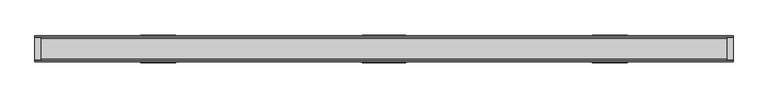
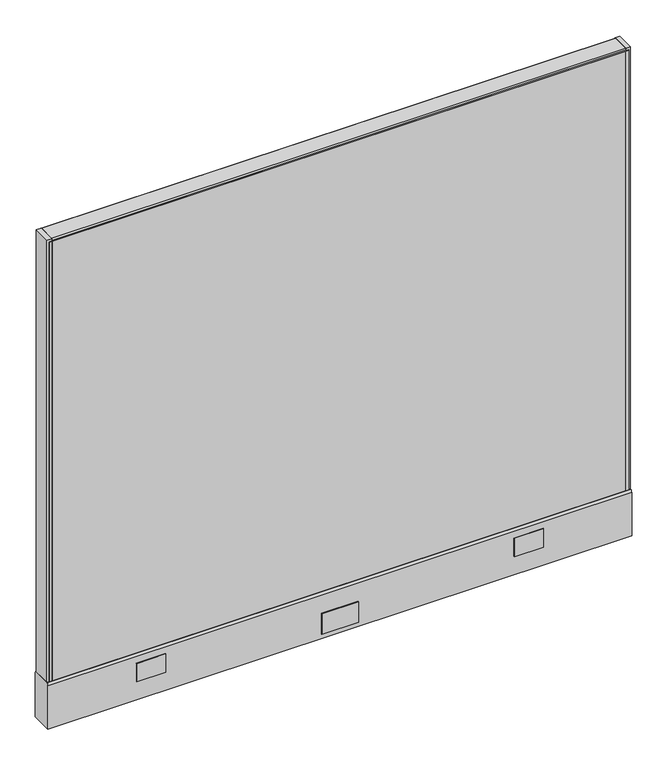
"""IFC4 building model written with IfcOpenShell, lengths in millimetres: furniture geometry."""

import ifcopenshell
import ifcopenshell.guid

model = None  # the IFC model being written
_history = None  # IfcOwnerHistory: only IFC2X3 demands one
_inside = {}  # id of a spatial element -> (the spatial element, [elements in it])
_under = {}  # id of a project, library or spatial element -> (it, [spatial elements below it])
_declared = {}  # id of a project -> (the project, [libraries it declares])
_typed = {}  # id of a type object -> (the type object, [elements of that type])
_made_of = {}  # id of a material, layer set ... -> (it, [elements and type objects made of it])


def new_model(schema):
    """Start an empty IFC model of exactly this schema.

    Asked for "IFC4X3", IfcOpenShell would pick the latest addendum, in which some entities
    have other attributes; the version numbers below select the first issue.
    IFC2X3 requires an IfcOwnerHistory on every rooted entity: one is made here for all.
    """
    global model, _history
    if schema == "IFC4X3":
        model = ifcopenshell.file(schema_version=(4, 3, 0, 0))
    else:
        model = ifcopenshell.file(schema=schema)
    _inside.clear()
    _under.clear()
    _declared.clear()
    _typed.clear()
    _made_of.clear()
    _history = None
    if model.schema == "IFC2X3":
        org = make("IfcOrganization", Name="unknown")
        user = make(
            "IfcPersonAndOrganization",
            ThePerson=make("IfcPerson", FamilyName="unknown"),
            TheOrganization=org,
        )
        app = make(
            "IfcApplication",
            ApplicationDeveloper=org,
            Version="unknown",
            ApplicationFullName="unknown",
            ApplicationIdentifier="unknown",
        )
        _history = make(
            "IfcOwnerHistory",
            OwningUser=user,
            OwningApplication=app,
            ChangeAction="ADDED",
            CreationDate=0,
        )
    return model


def make(cls, **values):
    """One entity of the class cls with the attributes given. An attribute that is None is left unset."""
    return model.create_entity(
        cls, **{name: value for name, value in values.items() if value is not None}
    )


def rooted(cls, **values):
    """An entity with a GlobalId (a new one), such as an element, a storey or a relation."""
    return make(cls, GlobalId=ifcopenshell.guid.new(), OwnerHistory=_history, **values)


def si_unit(unit_type, name, prefix=None):
    """IfcSIUnit, for example si_unit("LENGTHUNIT", "METRE", prefix="MILLI")."""
    return make("IfcSIUnit", UnitType=unit_type, Prefix=prefix, Name=name)


def assignment(units):
    """IfcUnitAssignment: the units of a project."""
    return None if units is None else make("IfcUnitAssignment", Units=units)


def point(xyz):
    """IfcCartesianPoint."""
    return None if xyz is None else make("IfcCartesianPoint", Coordinates=xyz)


def direction(xyz):
    """IfcDirection."""
    return None if xyz is None else make("IfcDirection", DirectionRatios=xyz)


def frame(location, z_axis=None, x_axis=None):
    """IfcAxis2Placement3D, a coordinate frame: its origin and axes. An axis left out is left unset."""
    return make(
        "IfcAxis2Placement3D",
        Location=point(location),
        Axis=direction(z_axis),
        RefDirection=direction(x_axis),
    )


def frame_2d(location, x_axis=None):
    """IfcAxis2Placement2D, a coordinate frame in the plane: its origin and x axis."""
    return make(
        "IfcAxis2Placement2D", Location=point(location), RefDirection=direction(x_axis)
    )


def origin():
    """The frame at (0, 0, 0) with its axes left unset."""
    return frame((0.0, 0.0, 0.0))


def place(relative_to, where):
    """IfcLocalPlacement: puts the frame where relative to a parent placement (None: the world)."""
    return make(
        "IfcLocalPlacement", PlacementRelTo=relative_to, RelativePlacement=where
    )


def context(
    kind, dimensions, precision=None, world=None, true_north=None, identifier=None
):
    """IfcGeometricRepresentationContext, for example the 3D "Model" context."""
    return make(
        "IfcGeometricRepresentationContext",
        ContextIdentifier=identifier,
        ContextType=kind,
        CoordinateSpaceDimension=dimensions,
        Precision=precision,
        WorldCoordinateSystem=world,
        TrueNorth=true_north,
    )


def project(units=None, contexts=None):
    """IfcProject with its units and contexts."""
    return rooted(
        "IfcProject",
        Name="project",
        RepresentationContexts=contexts,
        UnitsInContext=assignment(units),
    )


def spatial(cls, under=None, at=None, **own):
    """A site, building, storey or space (cls), placed at a placement, below another one or the project."""
    s = rooted(cls, ObjectPlacement=at, **own)
    if under is not None:
        _under.setdefault(under.id(), (under, []))[1].append(s)
    return s


def polyline(points):
    """IfcPolyline through the points."""
    return make("IfcPolyline", Points=[point(p) for p in points])


def circle_curve(where, radius):
    """IfcCircle in the frame where."""
    return make("IfcCircle", Position=where, Radius=radius)


def trimmed(basis, trim1, trim2, sense, master):
    """IfcTrimmedCurve: the piece of a basis curve between two trims."""
    return make(
        "IfcTrimmedCurve",
        BasisCurve=basis,
        Trim1=trim1,
        Trim2=trim2,
        SenseAgreement=sense,
        MasterRepresentation=master,
    )


def segment(curve, same_sense, transition):
    """IfcCompositeCurveSegment."""
    return make(
        "IfcCompositeCurveSegment",
        Transition=transition,
        SameSense=same_sense,
        ParentCurve=curve,
    )


def composite_curve(segments, self_intersect=None):
    """IfcCompositeCurve: segments joined end to end."""
    return make("IfcCompositeCurve", Segments=segments, SelfIntersect=self_intersect)


def outline(outer, holes=None, kind="AREA"):
    """IfcArbitraryClosedProfileDef: a profile drawn as a closed curve; with holes, ...WithVoids."""
    if holes is None:
        return make("IfcArbitraryClosedProfileDef", ProfileType=kind, OuterCurve=outer)
    return make(
        "IfcArbitraryProfileDefWithVoids",
        ProfileType=kind,
        OuterCurve=outer,
        InnerCurves=holes,
    )


def extrude(swept, where, along, depth):
    """IfcExtrudedAreaSolid: the profile swept, set in the frame where, extruded along a direction by depth."""
    return make(
        "IfcExtrudedAreaSolid",
        SweptArea=swept,
        Position=where,
        ExtrudedDirection=direction(along),
        Depth=depth,
    )


def shape(context_of_items, identifier, shape_type, items):
    """IfcShapeRepresentation: the items that make up one representation, for example the "Body"."""
    return make(
        "IfcShapeRepresentation",
        ContextOfItems=context_of_items,
        RepresentationIdentifier=identifier,
        RepresentationType=shape_type,
        Items=items,
    )


def source(mapping_origin, context_of_items, identifier, shape_type, items):
    """IfcRepresentationMap: a shape defined once, which mapped items show again and again."""
    return make(
        "IfcRepresentationMap",
        MappingOrigin=mapping_origin,
        MappedRepresentation=shape(context_of_items, identifier, shape_type, items),
    )


def transform(
    local_origin,
    x_axis=None,
    y_axis=None,
    z_axis=None,
    scale=None,
    scale2=None,
    scale3=None,
    uniform=True,
):
    """IfcCartesianTransformationOperator3D, or its non-uniform kind. x_axis, y_axis, z_axis: its Axis1, 2, 3."""
    if uniform:
        return make(
            "IfcCartesianTransformationOperator3D",
            Axis1=direction(x_axis),
            Axis2=direction(y_axis),
            LocalOrigin=point(local_origin),
            Scale=scale,
            Axis3=direction(z_axis),
        )
    return make(
        "IfcCartesianTransformationOperator3DnonUniform",
        Axis1=direction(x_axis),
        Axis2=direction(y_axis),
        LocalOrigin=point(local_origin),
        Scale=scale,
        Axis3=direction(z_axis),
        Scale2=scale2,
        Scale3=scale3,
    )


def mapped(mapping_source, mapping_target):
    """IfcMappedItem: shows the shape of a source again, moved by a transform."""
    return make(
        "IfcMappedItem", MappingSource=mapping_source, MappingTarget=mapping_target
    )


def made_of(thing, what):
    """Note that an element or type object is made of a material, layer set ...; save() writes the relation."""
    if what is not None:
        _made_of.setdefault(what.id(), (what, []))[1].append(thing)
    return thing


def element(
    cls,
    number,
    at=None,
    inside=None,
    cuts=None,
    type_object=None,
    material=None,
    context=None,
    identifier="Body",
    shape_type=None,
    held_by="IfcProductDefinitionShape",
    body=None,
    shapes=None,
    **own,
):
    """One element of the class cls, such as IfcWall. Its Tag is "e" and its number.

    at: its placement. inside: the storey or other place that contains it. cuts: it is an
    opening in that element (IfcRelVoidsElement). A single representation is given by context,
    identifier, shape_type and body (its items); several are given by shapes. held_by: the class
    of the entity that holds the representations. save() writes the other relations.
    """
    e = rooted(cls, Tag="e%d" % number, ObjectPlacement=at, **own)
    if body is not None:
        shapes = [shape(context, identifier, shape_type, body)]
    if shapes is not None:
        e.Representation = make(held_by, Representations=shapes)
    if inside is not None:
        _inside.setdefault(inside.id(), (inside, []))[1].append(e)
    if cuts is not None:
        rooted(
            "IfcRelVoidsElement", RelatingBuildingElement=cuts, RelatedOpeningElement=e
        )
    if type_object is not None:
        _typed.setdefault(type_object.id(), (type_object, []))[1].append(e)
    return made_of(e, material)


def aggregate(whole, parts):
    """IfcRelAggregates: a whole, such as a stair, and the parts it consists of."""
    return rooted("IfcRelAggregates", RelatingObject=whole, RelatedObjects=parts)


def save(model, path):
    """Write the relations noted so far, then the file.

    IfcRelAggregates (storeys below a building ...), IfcRelContainedInSpatialStructure (elements
    in a storey), IfcRelDefinesByType, IfcRelAssociatesMaterial and IfcRelDeclares: one each for
    every whole, place, type object, material and project.
    """
    for whole, parts in _under.values():
        aggregate(whole, parts)
    for where, things in _inside.values():
        rooted(
            "IfcRelContainedInSpatialStructure",
            RelatedElements=things,
            RelatingStructure=where,
        )
    for kind, things in _typed.values():
        rooted("IfcRelDefinesByType", RelatedObjects=things, RelatingType=kind)
    for what, things in _made_of.values():
        rooted("IfcRelAssociatesMaterial", RelatedObjects=things, RelatingMaterial=what)
    for by, libraries in _declared.values():
        rooted("IfcRelDeclares", RelatingContext=by, RelatedDefinitions=libraries)
    model.write(path)


def plane_surface(at):
    """IfcPlane: the flat surface through the origin of the frame at, square to its z axis."""
    return make("IfcPlane", Position=at)


def cylinder_surface(at, radius):
    """IfcCylindricalSurface: all points at the distance radius from the z axis of the frame at."""
    return make("IfcCylindricalSurface", Position=at, Radius=radius)


def advanced_brep(points, edges, surfaces, faces):
    """IfcAdvancedBrep: a solid bounded by faces that lie on surfaces and meet in shared edges.

    An edge is (start, end): straight between two places in points (the first is 0);
    or (start, end, curve); or (start, end, curve, False) where it runs against its curve.
    A face is (place in surfaces, loops), or (place, loops, False) where it looks against
    its surface's normal. A loop lists edges by number (the first is 1), with a minus sign
    where the edge is run from its end to its start. The first loop is the outer one.
    """
    corners = [point(p) for p in points]
    vertices = [make("IfcVertexPoint", VertexGeometry=c) for c in corners]
    made = []
    for start, end, *more in edges:
        made.append(
            make(
                "IfcEdgeCurve",
                EdgeStart=vertices[start],
                EdgeEnd=vertices[end],
                EdgeGeometry=more[0] if more else make("IfcPolyline", Points=[corners[start], corners[end]]),
                SameSense=more[1] if len(more) > 1 else True,
            )
        )
    hull = []
    for where, loops, *sense in faces:
        bounds = []
        for j, loop in enumerate(loops):
            ring = [make("IfcOrientedEdge", EdgeElement=made[abs(k) - 1], Orientation=k > 0) for k in loop]
            bounds.append(
                make(
                    "IfcFaceOuterBound" if j == 0 else "IfcFaceBound",
                    Bound=make("IfcEdgeLoop", EdgeList=ring),
                    Orientation=True,
                )
            )
        hull.append(make("IfcAdvancedFace", Bounds=bounds, FaceSurface=surfaces[where], SameSense=sense[0] if sense else True))
    return make("IfcAdvancedBrep", Outer=make("IfcClosedShell", CfsFaces=hull))


def furniture_25ae2d6b(model_context):
    return source(origin(), model_context, "Body", "SolidModel", [
        extrude(outline(polyline([(749.3039688, 25.4), (749.3039688, 0.0), (-749.2960312, 0.0), (-749.2960312, 25.4), (749.3039688, 25.4)])), frame((0.0, 0.0, 136.525), z_axis=(0.0, 0.0, 1.0), x_axis=(1.0, 0.0, 0.0)), (0.0, 0.0, 1.0), 1212.85),
        extrude(outline(polyline([(47.6289688, 28.575), (-47.6210312, 28.575), (-47.6210312, 30.1625), (47.6289688, 30.1625), (47.6289688, 28.575)])), frame((0.0, 0.0, 22.225), z_axis=(0.0, 0.0, 1.0), x_axis=(1.0, 0.0, 0.0)), (0.0, 0.0, 1.0), 57.15),
        extrude(outline(polyline([(47.6289688, -30.1625), (-47.6210312, -30.1625), (-47.6210312, -28.575), (47.6289688, -28.575), (47.6289688, -30.1625)])), frame((0.0, 0.0, 22.225), z_axis=(0.0, 0.0, 1.0), x_axis=(1.0, 0.0, 0.0)), (0.0, 0.0, 1.0), 57.15),
        advanced_brep(
        [(704.85, 0.0, 0.0), (730.25, 0.0, 0.0), (717.55, 0.0, 0.0), (704.85, 0.0, 4.7625), (730.25, 0.0, 4.7625), (711.2, 0.0, 4.7625), (723.9, 0.0, 4.7625), (711.2, 0.0, 111.125), (723.9, 0.0, 111.125), (717.55, 0.0, 111.125)],
        [
            (0, 1, circle_curve(frame((717.55, 0.0, 0.0), z_axis=(0.0, 0.0, -1.0), x_axis=(1.0, 0.0, 0.0)), 12.7)),
            (1, 2),
            (2, 0),
            (1, 0, circle_curve(frame((717.55, 0.0, 0.0), z_axis=(0.0, 0.0, -1.0), x_axis=(1.0, 0.0, 0.0)), 12.7)),
            (3, 4, circle_curve(frame((717.55, 0.0, 4.7625), z_axis=(0.0, 0.0, -1.0), x_axis=(1.0, 0.0, 0.0)), 12.7)),
            (4, 1),
            (0, 3),
            (4, 3, circle_curve(frame((717.55, 0.0, 4.7625), z_axis=(0.0, 0.0, -1.0), x_axis=(1.0, 0.0, 0.0)), 12.7)),
            (5, 6, circle_curve(frame((717.55, 0.0, 4.7625), z_axis=(0.0, 0.0, -1.0), x_axis=(1.0, 0.0, 0.0)), 6.35)),
            (6, 4),
            (3, 5),
            (6, 5, circle_curve(frame((717.55, 0.0, 4.7625), z_axis=(0.0, 0.0, -1.0), x_axis=(1.0, 0.0, 0.0)), 6.35)),
            (7, 8, circle_curve(frame((717.55, 0.0, 111.125), z_axis=(0.0, 0.0, -1.0), x_axis=(1.0, 0.0, 0.0)), 6.35)),
            (8, 6),
            (5, 7),
            (8, 7, circle_curve(frame((717.55, 0.0, 111.125), z_axis=(0.0, 0.0, -1.0), x_axis=(1.0, 0.0, 0.0)), 6.35)),
            (9, 8),
            (7, 9),
        ],
        [
            plane_surface(frame((717.55, 0.0, 0.0), z_axis=(0.0, 0.0, -1.0), x_axis=(1.0, 0.0, 0.0))),
            cylinder_surface(frame((717.55, 0.0, 114.882153), z_axis=(0.0, 0.0, 1.0), x_axis=(1.0, 0.0, 0.0)), 12.7),
            plane_surface(frame((717.55, 0.0, 4.7625), z_axis=(0.0, 0.0, 1.0), x_axis=(1.0, 0.0, 0.0))),
            cylinder_surface(frame((717.55, 0.0, 114.882153), z_axis=(0.0, 0.0, 1.0), x_axis=(1.0, 0.0, 0.0)), 6.35),
            plane_surface(frame((717.55, 0.0, 111.125), z_axis=(0.0, 0.0, 1.0), x_axis=(1.0, 0.0, 0.0))),
        ],
        [
            (0, [[1, 2, 3]]),
            (0, [[4, -3, -2]]),
            (1, [[5, 6, -1, 7]]),
            (1, [[8, -7, -4, -6]]),
            (2, [[9, 10, -5, 11]]),
            (2, [[12, -11, -8, -10]]),
            (3, [[13, 14, -9, 15]]),
            (3, [[16, -15, -12, -14]]),
            (4, [[17, -13, 18]]),
            (4, [[-18, -16, -17]]),
        ],
    ),
        advanced_brep(
        [(-730.25, 0.0, 4.7625), (-704.85, 0.0, 4.7625), (-704.85, 0.0, 0.0), (-730.25, 0.0, 0.0), (-723.9, 0.0, 4.7625), (-711.2, 0.0, 4.7625), (-723.9, 0.0, 111.125), (-711.2, 0.0, 111.125), (-717.55, 0.0, 111.125), (-717.55, 0.0, 0.0)],
        [
            (0, 1, circle_curve(frame((-717.55, 0.0, 4.7625), z_axis=(0.0, 0.0, -1.0), x_axis=(1.0, 0.0, 0.0)), 12.7)),
            (1, 2),
            (2, 3, circle_curve(frame((-717.55, 0.0, 0.0), z_axis=(0.0, 0.0, 1.0), x_axis=(1.0, 0.0, 0.0)), 12.7)),
            (3, 0),
            (1, 0, circle_curve(frame((-717.55, 0.0, 4.7625), z_axis=(0.0, 0.0, -1.0), x_axis=(1.0, 0.0, 0.0)), 12.7)),
            (3, 2, circle_curve(frame((-717.55, 0.0, 0.0), z_axis=(0.0, 0.0, 1.0), x_axis=(1.0, 0.0, 0.0)), 12.7)),
            (4, 5, circle_curve(frame((-717.55, 0.0, 4.7625), z_axis=(0.0, 0.0, -1.0), x_axis=(1.0, 0.0, 0.0)), 6.35)),
            (5, 1),
            (0, 4),
            (5, 4, circle_curve(frame((-717.55, 0.0, 4.7625), z_axis=(0.0, 0.0, -1.0), x_axis=(1.0, 0.0, 0.0)), 6.35)),
            (6, 7, circle_curve(frame((-717.55, 0.0, 111.125), z_axis=(0.0, 0.0, -1.0), x_axis=(1.0, 0.0, 0.0)), 6.35)),
            (7, 5),
            (4, 6),
            (7, 6, circle_curve(frame((-717.55, 0.0, 111.125), z_axis=(0.0, 0.0, -1.0), x_axis=(1.0, 0.0, 0.0)), 6.35)),
            (8, 7),
            (6, 8),
            (2, 9),
            (9, 3),
        ],
        [
            cylinder_surface(frame((-717.55, 0.0, 123.825), z_axis=(0.0, 0.0, 1.0), x_axis=(1.0, 0.0, 0.0)), 12.7),
            plane_surface(frame((-717.55, 0.0, 4.7625), z_axis=(0.0, 0.0, 1.0), x_axis=(1.0, 0.0, 0.0))),
            cylinder_surface(frame((-717.55, 0.0, 123.825), z_axis=(0.0, 0.0, 1.0), x_axis=(1.0, 0.0, 0.0)), 6.35),
            plane_surface(frame((-717.55, 0.0, 111.125), z_axis=(0.0, 0.0, 1.0), x_axis=(1.0, 0.0, 0.0))),
            plane_surface(frame((-717.55, 0.0, 0.0), z_axis=(0.0, 0.0, -1.0), x_axis=(1.0, 0.0, 0.0))),
        ],
        [
            (0, [[1, 2, 3, 4]]),
            (0, [[5, -4, 6, -2]]),
            (1, [[7, 8, -1, 9]]),
            (1, [[10, -9, -5, -8]]),
            (2, [[11, 12, -7, 13]]),
            (2, [[14, -13, -10, -12]]),
            (3, [[15, -11, 16]]),
            (3, [[-16, -14, -15]]),
            (4, [[-3, 17, 18]]),
            (4, [[-6, -18, -17]]),
        ],
    ),
        extrude(outline(polyline([(-761.9960312, 23.8125), (-749.2960312, 23.8125), (-749.2960312, -23.8125), (-761.9960312, -23.8125), (-761.9960312, 23.8125)])), frame((0.0, 0.0, 136.525), z_axis=(0.0, 0.0, 1.0), x_axis=(1.0, 0.0, 0.0)), (0.0, 0.0, 1.0), 1219.2),
        extrude(outline(polyline([(762.0039688, 23.8125), (762.0039688, -23.8125), (749.3039688, -23.8125), (749.3039688, 23.8125), (762.0039688, 23.8125)])), frame((0.0, 0.0, 136.525), z_axis=(0.0, 0.0, 1.0), x_axis=(1.0, 0.0, 0.0)), (0.0, 0.0, 1.0), 1219.2),
        extrude(outline(polyline([(-749.3, 25.4), (-749.3, 23.8125), (-757.2375, 23.8125), (-757.2375, 25.4), (-749.3, 25.4)])), frame((0.0, 0.0, 136.525), z_axis=(0.0, 0.0, 1.0), x_axis=(1.0, 0.0, 0.0)), (0.0, 0.0, 1.0), 1212.85),
        extrude(outline(polyline([(-749.3, -25.4), (-757.2375, -25.4), (-757.2375, -23.8125), (-749.3, -23.8125), (-749.3, -25.4)])), frame((0.0, 0.0, 136.525), z_axis=(0.0, 0.0, 1.0), x_axis=(1.0, 0.0, 0.0)), (0.0, 0.0, 1.0), 1212.85),
        extrude(outline(polyline([(757.2375, 25.4), (757.2375, 23.8125), (749.3, 23.8125), (749.3, 25.4), (757.2375, 25.4)])), frame((0.0, 0.0, 136.525), z_axis=(0.0, 0.0, 1.0), x_axis=(1.0, 0.0, 0.0)), (0.0, 0.0, 1.0), 1212.85),
        extrude(outline(polyline([(749.3, -23.8125), (757.2375, -23.8125), (757.2375, -25.4), (749.3, -25.4), (749.3, -23.8125)])), frame((0.0, 0.0, 136.525), z_axis=(0.0, 0.0, 1.0), x_axis=(1.0, 0.0, 0.0)), (0.0, 0.0, 1.0), 1212.85),
        extrude(outline(composite_curve([segment(trimmed(circle_curve(frame_2d((22.225, 1352.55)), 3.175), [point((22.225, 1355.725))], [point((25.4, 1352.55))], False, "CARTESIAN"), True, "CONTINUOUS"), segment(polyline([(25.4, 1352.55), (25.4, 1349.375), (-25.4, 1349.375), (-25.4, 1352.55)]), True, "CONTINUOUS"), segment(trimmed(circle_curve(frame_2d((-22.225, 1352.55)), 3.175), [point((-25.4, 1352.55))], [point((-22.225, 1355.725))], False, "CARTESIAN"), True, "CONTINUOUS"), segment(polyline([(-22.225, 1355.725), (22.225, 1355.725)]), True, "CONTINUOUS")], self_intersect=False)), frame((-749.2960312, 0.0, 0.0), z_axis=(1.0, 0.0, 0.0), x_axis=(0.0, 1.0, 0.0)), (0.0, 0.0, 1.0), 1498.6),
        extrude(outline(polyline([(531.1179688, 30.1625), (531.1179688, 28.575), (454.8101528, 28.575), (454.8101528, 30.1625), (531.1179688, 30.1625)])), frame((0.0, 0.0, 60.325), z_axis=(0.0, 0.0, 1.0), x_axis=(1.0, 0.0, 0.0)), (0.0, 0.0, 1.0), 50.8),
        extrude(outline(polyline([(-454.8022153, 30.1625), (-454.8022153, 28.575), (-531.1100312, 28.575), (-531.1100312, 30.1625), (-454.8022153, 30.1625)])), frame((0.0, 0.0, 60.325), z_axis=(0.0, 0.0, 1.0), x_axis=(1.0, 0.0, 0.0)), (0.0, 0.0, 1.0), 50.8),
        extrude(outline(polyline([(531.1179688, -28.575), (531.1179688, -30.1625), (454.8101528, -30.1625), (454.8101528, -28.575), (531.1179688, -28.575)])), frame((0.0, 0.0, 60.325), z_axis=(0.0, 0.0, 1.0), x_axis=(1.0, 0.0, 0.0)), (0.0, 0.0, 1.0), 50.8),
        extrude(outline(polyline([(-454.8022153, -28.575), (-454.8022153, -30.1625), (-531.1100312, -30.1625), (-531.1100312, -28.575), (-454.8022153, -28.575)])), frame((0.0, 0.0, 60.325), z_axis=(0.0, 0.0, 1.0), x_axis=(1.0, 0.0, 0.0)), (0.0, 0.0, 1.0), 50.8),
        extrude(outline(composite_curve([segment(trimmed(circle_curve(frame_2d((20.6375, 130.175)), 7.9375), [point((25.4, 136.525))], [point((28.575, 130.175))], False, "CARTESIAN"), True, "CONTINUOUS"), segment(polyline([(28.575, 130.175), (28.575, 9.525), (-28.575, 9.525), (-28.575, 130.175)]), True, "CONTINUOUS"), segment(trimmed(circle_curve(frame_2d((-20.6375, 130.175)), 7.9375), [point((-28.575, 130.175))], [point((-25.4, 136.525))], False, "CARTESIAN"), True, "CONTINUOUS"), segment(polyline([(-25.4, 136.525), (25.4, 136.525)]), True, "CONTINUOUS")], self_intersect=False)), frame((-761.9960312, 0.0, 0.0), z_axis=(1.0, 0.0, 0.0), x_axis=(0.0, 1.0, 0.0)), (0.0, 0.0, 1.0), 1524.0),
        extrude(outline(polyline([(749.3039688, 0.0), (749.3039688, -25.4), (-749.2960312, -25.4), (-749.2960312, 0.0), (749.3039688, 0.0)])), frame((0.0, 0.0, 136.525), z_axis=(0.0, 0.0, 1.0), x_axis=(1.0, 0.0, 0.0)), (0.0, 0.0, 1.0), 1212.85),
    ])


if __name__ == "__main__":
    model = new_model("IFC4")
    model_context = context("Model", 3, world=origin())
    ifc_project = project(units=[si_unit("LENGTHUNIT", "METRE", prefix="MILLI")], contexts=[model_context])
    site = spatial("IfcSite", under=ifc_project)
    building = spatial("IfcBuilding", under=site)
    placement = place(None, origin())
    furniture_shape = furniture_25ae2d6b(model_context)
    element("IfcFurniture", 1, at=placement, inside=building, context=model_context, shape_type="MappedRepresentation", body=[
        mapped(furniture_shape, transform((0.0, 0.0, 0.0), x_axis=(1.0, 0.0, 0.0), y_axis=(0.0, 1.0, 0.0), z_axis=(0.0, 0.0, 1.0))),
    ])
    save(model, "model.ifc")
